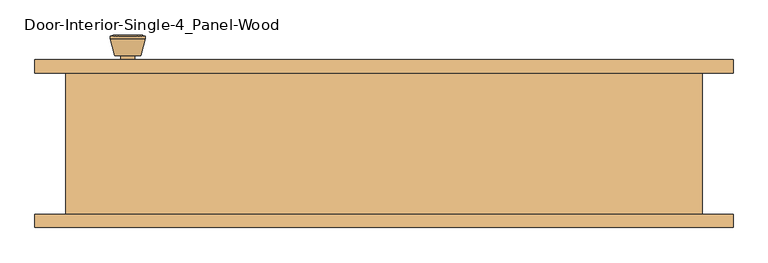
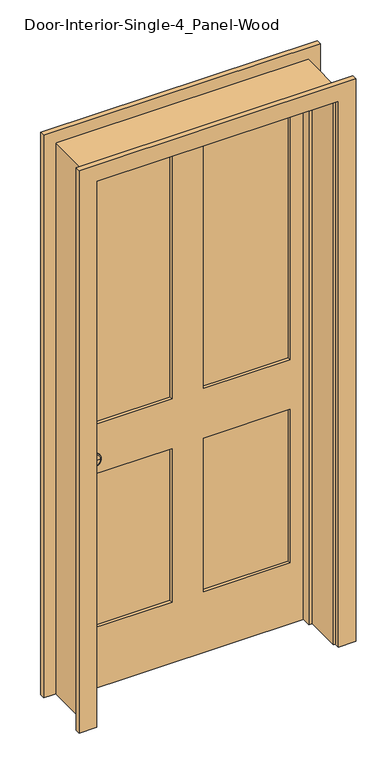
"""IFC4 building model written with IfcOpenShell, lengths in millimetres: door geometry, Door-Interior-Single-4_Panel-Wood."""

from ifc_helpers import new_model, si_unit, point, frame, frame_2d, origin, place, context, project, spatial, polyline, circle_curve, trimmed, segment, composite_curve, outline, extrude, faceted_brep, source, transform, mapped, element, save
from ifc_brep_helpers import plane_surface, cylinder_surface, revolved_surface, advanced_brep


def door_interior_single_4_panel_wood_8abb5a96(model_context):
    return source(origin(), model_context, "Body", "SolidModel", [
        advanced_brep(
        [(-368.3, 57.5, 914.4), (-358.3, 57.5, 914.4), (-378.3, 57.5, 914.4), (-347.8241324, 8.5, 914.4), (-368.3, 8.5, 914.4), (-388.7758676, 8.5, 914.4), (-343.3, 10.3278681, 914.4), (-393.3, 10.3278681, 914.4), (-343.3, 13.7915463, 914.4), (-393.3, 13.7915463, 914.4), (-349.663764, 38.5, 914.4), (-386.936236, 38.5, 914.4), (-358.3, 38.5, 914.4), (-378.3, 38.5, 914.4)],
        [
            (0, 1),
            (1, 2, circle_curve(frame((-368.3, 57.5, 914.4), z_axis=(0.0, 1.0, 0.0), x_axis=(-1.0, 0.0, 0.0)), 10.0)),
            (2, 0),
            (2, 1, circle_curve(frame((-368.3, 57.5, 914.4), z_axis=(0.0, 1.0, 0.0), x_axis=(-1.0, 0.0, 0.0)), 10.0)),
            (3, 4),
            (4, 5),
            (5, 3, circle_curve(frame((-368.3, 8.5, 914.4), z_axis=(0.0, -1.0, 0.0), x_axis=(-1.0, 0.0, 0.0)), 20.4758676)),
            (3, 5, circle_curve(frame((-368.3, 8.5, 914.4), z_axis=(0.0, -1.0, 0.0), x_axis=(-1.0, 0.0, 0.0)), 20.4758676)),
            (6, 3),
            (5, 7),
            (7, 6, circle_curve(frame((-368.3, 10.3278681, 914.4), z_axis=(0.0, -1.0, 0.0), x_axis=(-1.0, 0.0, 0.0)), 25.0)),
            (6, 7, circle_curve(frame((-368.3, 10.3278681, 914.4), z_axis=(0.0, -1.0, 0.0), x_axis=(-1.0, 0.0, 0.0)), 25.0)),
            (8, 6),
            (7, 9),
            (9, 8, circle_curve(frame((-368.3, 13.7915463, 914.4), z_axis=(0.0, -1.0, 0.0), x_axis=(-1.0, 0.0, 0.0)), 25.0)),
            (8, 9, circle_curve(frame((-368.3, 13.7915463, 914.4), z_axis=(0.0, -1.0, 0.0), x_axis=(-1.0, 0.0, 0.0)), 25.0)),
            (10, 8),
            (9, 11),
            (11, 10, circle_curve(frame((-368.3, 38.5, 914.4), z_axis=(0.0, -1.0, 0.0), x_axis=(-1.0, 0.0, 0.0)), 18.636236)),
            (10, 11, circle_curve(frame((-368.3, 38.5, 914.4), z_axis=(0.0, -1.0, 0.0), x_axis=(-1.0, 0.0, 0.0)), 18.636236)),
            (12, 10),
            (11, 13),
            (13, 12, circle_curve(frame((-368.3, 38.5, 914.4), z_axis=(0.0, -1.0, 0.0), x_axis=(-1.0, 0.0, 0.0)), 10.0)),
            (12, 13, circle_curve(frame((-368.3, 38.5, 914.4), z_axis=(0.0, -1.0, 0.0), x_axis=(-1.0, 0.0, 0.0)), 10.0)),
            (1, 12),
            (13, 2),
        ],
        [
            plane_surface(frame((-368.3, 57.5, 914.4), z_axis=(0.0, 1.0, 0.0), x_axis=(-1.0, 0.0, 0.0))),
            plane_surface(frame((-368.3, 8.5, 914.4), z_axis=(0.0, -1.0, 0.0), x_axis=(-1.0, 0.0, 0.0))),
            revolved_surface(polyline([(-388.7758676, 8.5, 914.4), (-393.3, 10.3278681, 914.4)]), (-368.3, 57.5, 914.4), (0.0, 1.0, 0.0)),
            cylinder_surface(frame((-368.3, 57.5, 914.4), z_axis=(0.0, 1.0, 0.0), x_axis=(-1.0, 0.0, 0.0)), 25.0),
            revolved_surface(polyline([(-393.3, 13.7915463, 914.4), (-386.936236, 38.5, 914.4)]), (-368.3, 57.5, 914.4), (0.0, 1.0, 0.0)),
            plane_surface(frame((-368.3, 38.5, 914.4), z_axis=(0.0, 1.0, 0.0), x_axis=(-1.0, 0.0, 0.0))),
            cylinder_surface(frame((-368.3, 57.5, 914.4), z_axis=(0.0, 1.0, 0.0), x_axis=(-1.0, 0.0, 0.0)), 10.0),
        ],
        [
            (0, [[1, 2, 3]]),
            (0, [[-3, 4, -1]]),
            (1, [[5, 6, 7]]),
            (1, [[-6, -5, 8]]),
            (2, [[9, -7, 10, 11]]),
            (2, [[-10, -8, -9, 12]]),
            (3, [[13, -11, 14, 15]]),
            (3, [[-14, -12, -13, 16]]),
            (4, [[17, -15, 18, 19]]),
            (4, [[-18, -16, -17, 20]]),
            (5, [[21, -19, 22, 23]]),
            (5, [[-22, -20, -21, 24]]),
            (6, [[25, -23, 26, -2]]),
            (6, [[-26, -24, -25, -4]]),
        ],
    ),
        extrude(outline(composite_curve([segment(trimmed(circle_curve(frame_2d((914.4, -368.3)), 30.0), [point((914.4, -398.3))], [point((914.4, -338.3))], False, "CARTESIAN"), True, "CONTINUOUS"), segment(trimmed(circle_curve(frame_2d((914.4, -368.3)), 30.0), [point((914.4, -338.3))], [point((914.4, -398.3))], False, "CARTESIAN"), True, "CONTINUOUS")], self_intersect=False)), frame((0.0, 57.5, 0.0), z_axis=(0.0, 1.0, 0.0), x_axis=(0.0, 0.0, 1.0)), (0.0, 0.0, 1.0), 6.0),
        advanced_brep(
        [(-368.3, 104.425, 914.4), (-378.3, 104.425, 914.4), (-358.3, 104.425, 914.4), (-347.8241324, 153.425, 914.4), (-388.7758676, 153.425, 914.4), (-368.3, 153.425, 914.4), (-343.3, 151.5971319, 914.4), (-393.3, 151.5971319, 914.4), (-343.3, 148.1334537, 914.4), (-393.3, 148.1334537, 914.4), (-349.663764, 123.425, 914.4), (-386.936236, 123.425, 914.4), (-358.3, 123.425, 914.4), (-378.3, 123.425, 914.4)],
        [
            (0, 1),
            (1, 2, circle_curve(frame((-368.3, 104.425, 914.4), z_axis=(0.0, -1.0, 0.0), x_axis=(-1.0, 0.0, 0.0)), 10.0)),
            (2, 0),
            (2, 1, circle_curve(frame((-368.3, 104.425, 914.4), z_axis=(0.0, -1.0, 0.0), x_axis=(-1.0, 0.0, 0.0)), 10.0)),
            (3, 4, circle_curve(frame((-368.3, 153.425, 914.4), z_axis=(0.0, 1.0, 0.0), x_axis=(-1.0, 0.0, 0.0)), 20.4758676)),
            (4, 5),
            (5, 3),
            (4, 3, circle_curve(frame((-368.3, 153.425, 914.4), z_axis=(0.0, 1.0, 0.0), x_axis=(-1.0, 0.0, 0.0)), 20.4758676)),
            (6, 7, circle_curve(frame((-368.3, 151.5971319, 914.4), z_axis=(0.0, 1.0, 0.0), x_axis=(-1.0, 0.0, 0.0)), 25.0)),
            (7, 4),
            (3, 6),
            (7, 6, circle_curve(frame((-368.3, 151.5971319, 914.4), z_axis=(0.0, 1.0, 0.0), x_axis=(-1.0, 0.0, 0.0)), 25.0)),
            (8, 9, circle_curve(frame((-368.3, 148.1334537, 914.4), z_axis=(0.0, 1.0, 0.0), x_axis=(-1.0, 0.0, 0.0)), 25.0)),
            (9, 7),
            (6, 8),
            (9, 8, circle_curve(frame((-368.3, 148.1334537, 914.4), z_axis=(0.0, 1.0, 0.0), x_axis=(-1.0, 0.0, 0.0)), 25.0)),
            (10, 11, circle_curve(frame((-368.3, 123.425, 914.4), z_axis=(0.0, 1.0, 0.0), x_axis=(-1.0, 0.0, 0.0)), 18.636236)),
            (11, 9),
            (8, 10),
            (11, 10, circle_curve(frame((-368.3, 123.425, 914.4), z_axis=(0.0, 1.0, 0.0), x_axis=(-1.0, 0.0, 0.0)), 18.636236)),
            (12, 13, circle_curve(frame((-368.3, 123.425, 914.4), z_axis=(0.0, 1.0, 0.0), x_axis=(-1.0, 0.0, 0.0)), 10.0)),
            (13, 11),
            (10, 12),
            (13, 12, circle_curve(frame((-368.3, 123.425, 914.4), z_axis=(0.0, 1.0, 0.0), x_axis=(-1.0, 0.0, 0.0)), 10.0)),
            (1, 13),
            (12, 2),
        ],
        [
            plane_surface(frame((-368.3, 104.425, 914.4), z_axis=(0.0, -1.0, 0.0), x_axis=(-1.0, 0.0, 0.0))),
            plane_surface(frame((-368.3, 153.425, 914.4), z_axis=(0.0, 1.0, 0.0), x_axis=(-1.0, 0.0, 0.0))),
            revolved_surface(polyline([(-388.7758676, 153.425, 914.4), (-393.3, 151.5971319, 914.4)]), (-368.3, 104.425, 914.4), (0.0, -1.0, 0.0)),
            cylinder_surface(frame((-368.3, 104.425, 914.4), z_axis=(0.0, -1.0, 0.0), x_axis=(-1.0, 0.0, 0.0)), 25.0),
            revolved_surface(polyline([(-393.3, 148.1334537, 914.4), (-386.936236, 123.425, 914.4)]), (-368.3, 104.425, 914.4), (0.0, -1.0, 0.0)),
            plane_surface(frame((-368.3, 123.425, 914.4), z_axis=(0.0, -1.0, 0.0), x_axis=(-1.0, 0.0, 0.0))),
            cylinder_surface(frame((-368.3, 104.425, 914.4), z_axis=(0.0, -1.0, 0.0), x_axis=(-1.0, 0.0, 0.0)), 10.0),
        ],
        [
            (0, [[1, 2, 3]]),
            (0, [[-3, 4, -1]]),
            (1, [[5, 6, 7]]),
            (1, [[8, -7, -6]]),
            (2, [[9, 10, -5, 11]]),
            (2, [[12, -11, -8, -10]]),
            (3, [[13, 14, -9, 15]]),
            (3, [[16, -15, -12, -14]]),
            (4, [[17, 18, -13, 19]]),
            (4, [[20, -19, -16, -18]]),
            (5, [[21, 22, -17, 23]]),
            (5, [[24, -23, -20, -22]]),
            (6, [[-2, 25, -21, 26]]),
            (6, [[-4, -26, -24, -25]]),
        ],
    ),
        extrude(outline(composite_curve([segment(trimmed(circle_curve(frame_2d((914.4, -368.3)), 30.0), [point((914.4, -398.3))], [point((914.4, -338.3))], False, "CARTESIAN"), True, "CONTINUOUS"), segment(trimmed(circle_curve(frame_2d((914.4, -368.3)), 30.0), [point((914.4, -338.3))], [point((914.4, -398.3))], False, "CARTESIAN"), True, "CONTINUOUS")], self_intersect=False)), frame((0.0, 98.425, 0.0), z_axis=(0.0, 1.0, 0.0), x_axis=(0.0, 0.0, 1.0)), (0.0, 0.0, 1.0), 6.0),
        faceted_brep([(457.2, 98.425, 0.0), (457.2, -104.775, 0.0), (431.8, -104.775, 0.0), (431.8, 28.575, 0.0), (419.1, 28.575, 0.0), (419.1, 63.5, 0.0), (431.8, 63.5, 0.0), (431.8, 98.425, 0.0), (457.2, 98.425, 2108.2), (457.2, -104.775, 2108.2), (-457.2, -104.775, 2108.2), (-457.2, -104.775, 0.0), (-431.8, -104.775, 0.0), (-431.8, -104.775, 2082.8), (431.8, -104.775, 2082.8), (431.8, 28.575, 2082.8), (-431.8, 28.575, 2082.8), (-431.8, 28.575, 0.0), (-419.1, 28.575, 0.0), (-419.1, 28.575, 2070.1), (419.1, 28.575, 2070.1), (419.1, 63.5, 2070.1), (-419.1, 63.5, 2070.1), (-419.1, 63.5, 0.0), (-431.8, 63.5, 0.0), (-431.8, 63.5, 2082.8), (431.8, 63.5, 2082.8), (431.8, 98.425, 2082.8), (-431.8, 98.425, 2082.8), (-431.8, 98.425, 0.0), (-457.2, 98.425, 0.0), (-457.2, 98.425, 2108.2)], [[[0, 1, 2, 3, 4, 5, 6, 7]], [[1, 0, 8, 9]], [[2, 1, 9, 10, 11, 12, 13, 14]], [[3, 2, 14, 15]], [[4, 3, 15, 16, 17, 18, 19, 20]], [[5, 4, 20, 21]], [[6, 5, 21, 22, 23, 24, 25, 26]], [[7, 6, 26, 27]], [[0, 7, 27, 28, 29, 30, 31, 8]], [[9, 8, 31, 10]], [[15, 14, 13, 16]], [[21, 20, 19, 22]], [[27, 26, 25, 28]], [[30, 29, 24, 23, 18, 17, 12, 11]], [[10, 31, 30, 11]], [[16, 13, 12, 17]], [[22, 19, 18, 23]], [[28, 25, 24, 29]]]),
        extrude(outline(polyline([(2082.8, -431.8), (0.0, -431.8), (0.0, 431.8), (2082.8, 431.8), (2082.8, -431.8)]), holes=[polyline([(1963.7375, 57.15), (1963.7375, 371.475), (1009.65, 371.475), (1009.65, 57.15), (1963.7375, 57.15)]), polyline([(1009.65, -57.15), (1009.65, -371.475), (1963.7375, -371.475), (1963.7375, -57.15), (1009.65, -57.15)]), polyline([(819.15, 57.15), (819.15, 371.475), (231.775, 371.475), (231.775, 57.15), (819.15, 57.15)]), polyline([(231.775, -57.15), (231.775, -371.475), (819.15, -371.475), (819.15, -57.15), (231.775, -57.15)])]), frame((0.0, 63.5, 0.0), z_axis=(0.0, 1.0, 0.0), x_axis=(0.0, 0.0, 1.0)), (0.0, 0.0, 1.0), 34.925),
        extrude(outline(polyline([(371.475, 75.1416667), (57.15, 75.1416667), (57.15, 86.7833333), (371.475, 86.7833333), (371.475, 75.1416667)])), frame((0.0, 0.0, 1009.65), z_axis=(0.0, 0.0, 1.0), x_axis=(1.0, 0.0, 0.0)), (0.0, 0.0, 1.0), 954.0875),
        extrude(outline(polyline([(-57.15, 75.1416667), (-371.475, 75.1416667), (-371.475, 86.7833333), (-57.15, 86.7833333), (-57.15, 75.1416667)])), frame((0.0, 0.0, 1009.65), z_axis=(0.0, 0.0, 1.0), x_axis=(1.0, 0.0, 0.0)), (0.0, 0.0, 1.0), 954.0875),
        extrude(outline(polyline([(371.475, 75.1416667), (57.15, 75.1416667), (57.15, 86.7833333), (371.475, 86.7833333), (371.475, 75.1416667)])), frame((0.0, 0.0, 231.775), z_axis=(0.0, 0.0, 1.0), x_axis=(1.0, 0.0, 0.0)), (0.0, 0.0, 1.0), 587.375),
        extrude(outline(polyline([(-57.15, 75.1416667), (-371.475, 75.1416667), (-371.475, 86.7833333), (-57.15, 86.7833333), (-57.15, 75.1416667)])), frame((0.0, 0.0, 231.775), z_axis=(0.0, 0.0, 1.0), x_axis=(1.0, 0.0, 0.0)), (0.0, 0.0, 1.0), 587.375),
        extrude(outline(polyline([(0.0, 438.15), (0.0, 501.65), (2152.65, 501.65), (2152.65, -501.65), (0.0, -501.65), (0.0, -438.15), (2089.15, -438.15), (2089.15, 438.15), (0.0, 438.15)])), frame((0.0, 98.425, 0.0), z_axis=(0.0, 1.0, 0.0), x_axis=(0.0, 0.0, 1.0)), (0.0, 0.0, 1.0), 19.05),
        extrude(outline(polyline([(0.0, 438.15), (0.0, 501.65), (2152.65, 501.65), (2152.65, -501.65), (0.0, -501.65), (0.0, -438.15), (2089.15, -438.15), (2089.15, 438.15), (0.0, 438.15)])), frame((0.0, -123.825, 0.0), z_axis=(0.0, 1.0, 0.0), x_axis=(0.0, 0.0, 1.0)), (0.0, 0.0, 1.0), 19.05),
    ])


if __name__ == "__main__":
    model = new_model("IFC4")
    model_context = context("Model", 3, world=origin())
    ifc_project = project(units=[si_unit("LENGTHUNIT", "METRE", prefix="MILLI")], contexts=[model_context])
    site = spatial("IfcSite", under=ifc_project)
    building = spatial("IfcBuilding", under=site)
    placement = place(None, origin())
    door_interior_single_4_panel_wood_shape = door_interior_single_4_panel_wood_8abb5a96(model_context)
    element("IfcDoor", 1, ObjectType="Door-Interior-Single-4_Panel-Wood", at=placement, inside=building, context=model_context, shape_type="MappedRepresentation", body=[
        mapped(door_interior_single_4_panel_wood_shape, transform((0.0, 0.0, 0.0), x_axis=(1.0, 0.0, 0.0), y_axis=(0.0, 1.0, 0.0), z_axis=(0.0, 0.0, 1.0))),
    ])
    save(model, "model.ifc")
